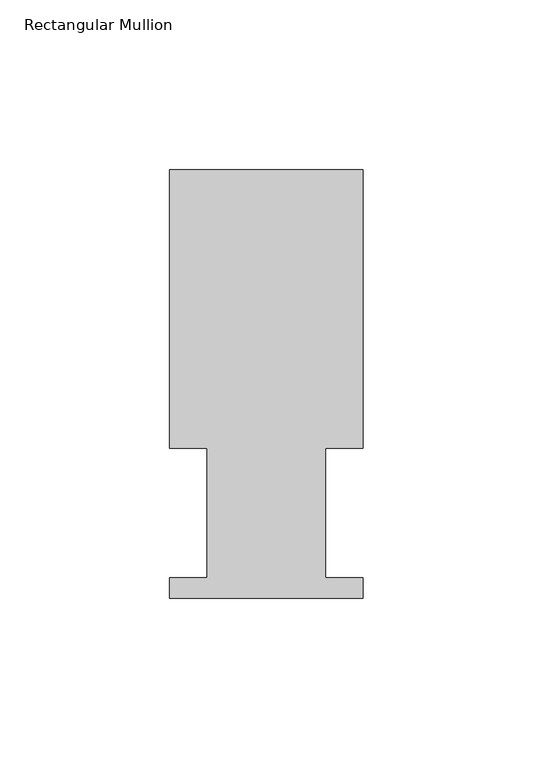
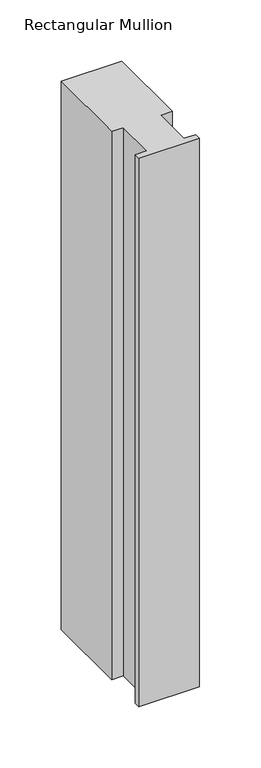
"""IFC4 building model written with IfcOpenShell, lengths in millimetres: member geometry, Rectangular Mullion."""

from ifc_helpers import new_model, si_unit, frame, origin, place, context, project, spatial, polyline, outline, extrude, source, transform, mapped, element, save


def rectangular_mullion_195d9025(model_context):
    return source(origin(), model_context, "Body", "SweptSolid", [
        extrude(outline(polyline([(0.0, 126.619), (0.0, 44.45), (-11.1120704, 44.45), (-11.1120704, 6.35), (0.0, 6.35), (0.0, 0.2798837), (-57.15, 0.2798837), (-57.15, 6.35), (-46.0370705, 6.35), (-46.0370705, 44.45), (-57.15, 44.45), (-57.15, 126.619), (0.0, 126.619)])), frame((0.0, 0.0, -546.1), z_axis=(0.0, 0.0, 1.0), x_axis=(1.0, 0.0, 0.0)), (0.0, 0.0, 1.0), 546.1),
    ])


if __name__ == "__main__":
    model = new_model("IFC4")
    model_context = context("Model", 3, world=origin())
    ifc_project = project(units=[si_unit("LENGTHUNIT", "METRE", prefix="MILLI")], contexts=[model_context])
    site = spatial("IfcSite", under=ifc_project)
    building = spatial("IfcBuilding", under=site)
    placement = place(None, origin())
    rectangular_mullion_shape = rectangular_mullion_195d9025(model_context)
    element("IfcMember", 1, ObjectType="Rectangular Mullion", at=placement, inside=building, context=model_context, shape_type="MappedRepresentation", body=[
        mapped(rectangular_mullion_shape, transform((0.0, 0.0, 0.0), x_axis=(1.0, 0.0, 0.0), y_axis=(0.0, 1.0, 0.0), z_axis=(0.0, 0.0, 1.0))),
    ])
    save(model, "model.ifc")
